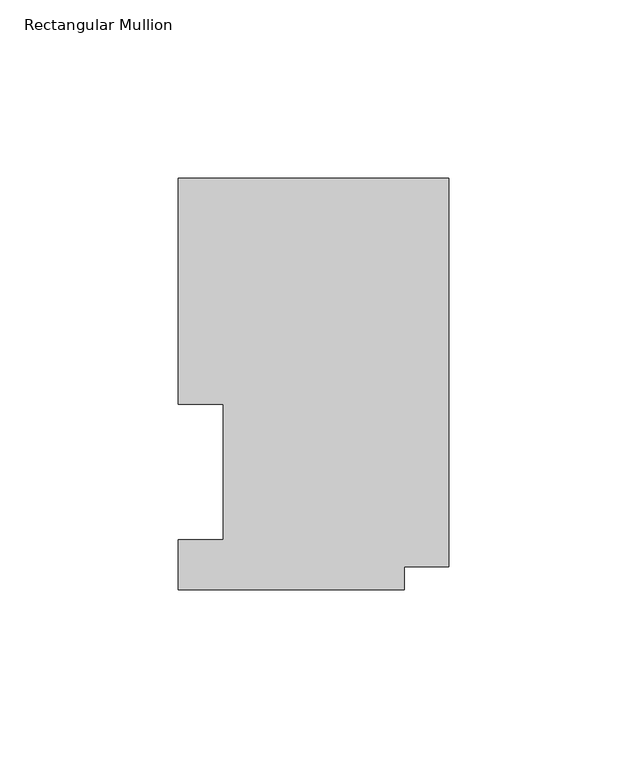
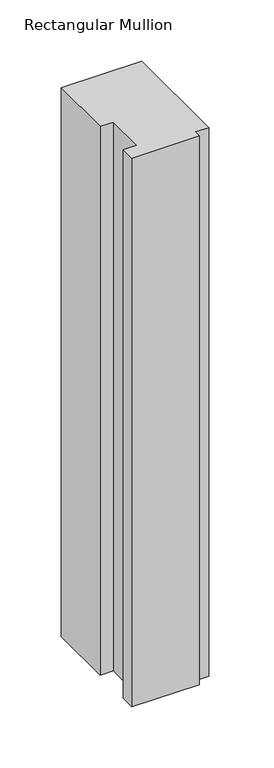
"""IFC4 building model written with IfcOpenShell, lengths in millimetres: member geometry, Rectangular Mullion."""

from ifc_helpers import new_model, si_unit, frame, origin, place, context, project, spatial, polyline, outline, extrude, source, transform, mapped, element, save


def rectangular_mullion_3d635a76(model_context):
    return source(origin(), model_context, "Body", "SweptSolid", [
        extrude(outline(polyline([(0.0, 115.5898607), (0.0, 6.3856708), (-12.5262802, 6.3856708), (-12.5262802, 0.0198607), (-76.0262802, 0.0198607), (-76.0262802, 13.9898777), (-63.3262802, 13.9898777), (-63.3262802, 52.0898438), (-76.0222, 52.0898438), (-76.0222, 115.5898607), (0.0, 115.5898607)])), frame((0.0, 0.0, -547.4101637), z_axis=(0.0, 0.0, 1.0), x_axis=(1.0, 0.0, 0.0)), (0.0, 0.0, 1.0), 547.4101637),
    ])


if __name__ == "__main__":
    model = new_model("IFC4")
    model_context = context("Model", 3, world=origin())
    ifc_project = project(units=[si_unit("LENGTHUNIT", "METRE", prefix="MILLI")], contexts=[model_context])
    site = spatial("IfcSite", under=ifc_project)
    building = spatial("IfcBuilding", under=site)
    placement = place(None, origin())
    rectangular_mullion_shape = rectangular_mullion_3d635a76(model_context)
    element("IfcMember", 1, ObjectType="Rectangular Mullion", at=placement, inside=building, context=model_context, shape_type="MappedRepresentation", body=[
        mapped(rectangular_mullion_shape, transform((0.0, 0.0, 0.0), x_axis=(1.0, 0.0, 0.0), y_axis=(0.0, 1.0, 0.0), z_axis=(0.0, 0.0, 1.0))),
    ])
    save(model, "model.ifc")
